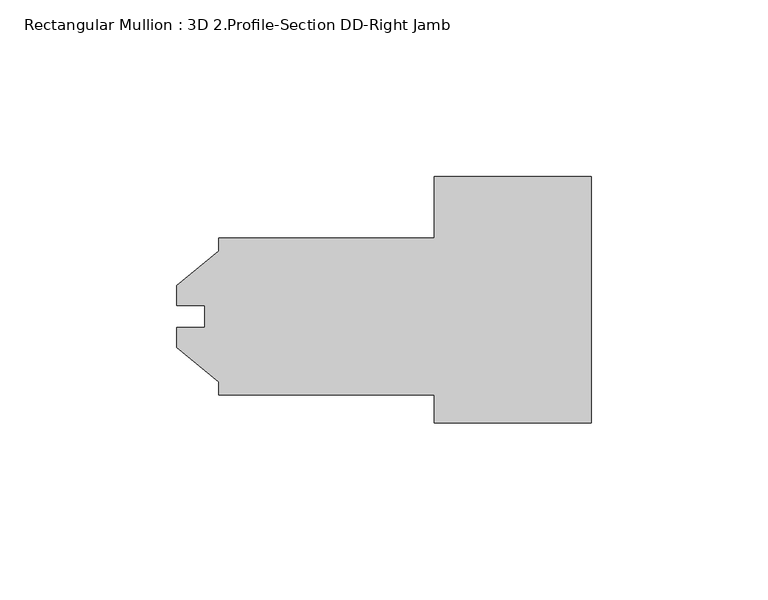
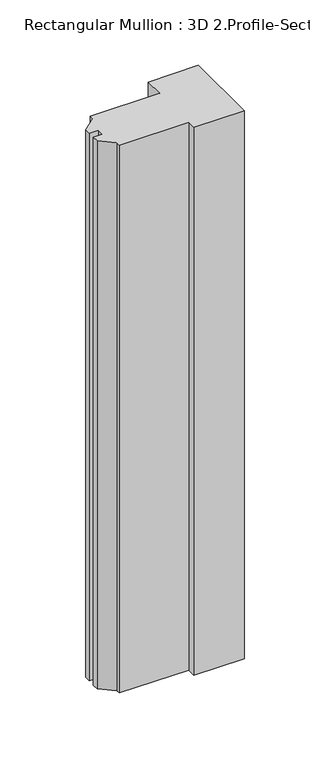
"""IFC4 building model written with IfcOpenShell, lengths in millimetres: member geometry, Rectangular Mullion : 3D 2.Profile-Section DD-Right Jamb."""

import ifcopenshell
import ifcopenshell.guid

model = None  # the IFC model being written
_history = None  # IfcOwnerHistory: only IFC2X3 demands one
_inside = {}  # id of a spatial element -> (the spatial element, [elements in it])
_under = {}  # id of a project, library or spatial element -> (it, [spatial elements below it])
_declared = {}  # id of a project -> (the project, [libraries it declares])
_typed = {}  # id of a type object -> (the type object, [elements of that type])
_made_of = {}  # id of a material, layer set ... -> (it, [elements and type objects made of it])


def new_model(schema):
    """Start an empty IFC model of exactly this schema.

    Asked for "IFC4X3", IfcOpenShell would pick the latest addendum, in which some entities
    have other attributes; the version numbers below select the first issue.
    IFC2X3 requires an IfcOwnerHistory on every rooted entity: one is made here for all.
    """
    global model, _history
    if schema == "IFC4X3":
        model = ifcopenshell.file(schema_version=(4, 3, 0, 0))
    else:
        model = ifcopenshell.file(schema=schema)
    _inside.clear()
    _under.clear()
    _declared.clear()
    _typed.clear()
    _made_of.clear()
    _history = None
    if model.schema == "IFC2X3":
        org = make("IfcOrganization", Name="unknown")
        user = make(
            "IfcPersonAndOrganization",
            ThePerson=make("IfcPerson", FamilyName="unknown"),
            TheOrganization=org,
        )
        app = make(
            "IfcApplication",
            ApplicationDeveloper=org,
            Version="unknown",
            ApplicationFullName="unknown",
            ApplicationIdentifier="unknown",
        )
        _history = make(
            "IfcOwnerHistory",
            OwningUser=user,
            OwningApplication=app,
            ChangeAction="ADDED",
            CreationDate=0,
        )
    return model


def make(cls, **values):
    """One entity of the class cls with the attributes given. An attribute that is None is left unset."""
    return model.create_entity(
        cls, **{name: value for name, value in values.items() if value is not None}
    )


def rooted(cls, **values):
    """An entity with a GlobalId (a new one), such as an element, a storey or a relation."""
    return make(cls, GlobalId=ifcopenshell.guid.new(), OwnerHistory=_history, **values)


def si_unit(unit_type, name, prefix=None):
    """IfcSIUnit, for example si_unit("LENGTHUNIT", "METRE", prefix="MILLI")."""
    return make("IfcSIUnit", UnitType=unit_type, Prefix=prefix, Name=name)


def assignment(units):
    """IfcUnitAssignment: the units of a project."""
    return None if units is None else make("IfcUnitAssignment", Units=units)


def point(xyz):
    """IfcCartesianPoint."""
    return None if xyz is None else make("IfcCartesianPoint", Coordinates=xyz)


def direction(xyz):
    """IfcDirection."""
    return None if xyz is None else make("IfcDirection", DirectionRatios=xyz)


def frame(location, z_axis=None, x_axis=None):
    """IfcAxis2Placement3D, a coordinate frame: its origin and axes. An axis left out is left unset."""
    return make(
        "IfcAxis2Placement3D",
        Location=point(location),
        Axis=direction(z_axis),
        RefDirection=direction(x_axis),
    )


def origin():
    """The frame at (0, 0, 0) with its axes left unset."""
    return frame((0.0, 0.0, 0.0))


def place(relative_to, where):
    """IfcLocalPlacement: puts the frame where relative to a parent placement (None: the world)."""
    return make(
        "IfcLocalPlacement", PlacementRelTo=relative_to, RelativePlacement=where
    )


def context(
    kind, dimensions, precision=None, world=None, true_north=None, identifier=None
):
    """IfcGeometricRepresentationContext, for example the 3D "Model" context."""
    return make(
        "IfcGeometricRepresentationContext",
        ContextIdentifier=identifier,
        ContextType=kind,
        CoordinateSpaceDimension=dimensions,
        Precision=precision,
        WorldCoordinateSystem=world,
        TrueNorth=true_north,
    )


def project(units=None, contexts=None):
    """IfcProject with its units and contexts."""
    return rooted(
        "IfcProject",
        Name="project",
        RepresentationContexts=contexts,
        UnitsInContext=assignment(units),
    )


def spatial(cls, under=None, at=None, **own):
    """A site, building, storey or space (cls), placed at a placement, below another one or the project."""
    s = rooted(cls, ObjectPlacement=at, **own)
    if under is not None:
        _under.setdefault(under.id(), (under, []))[1].append(s)
    return s


def polyline(points):
    """IfcPolyline through the points."""
    return make("IfcPolyline", Points=[point(p) for p in points])


def outline(outer, holes=None, kind="AREA"):
    """IfcArbitraryClosedProfileDef: a profile drawn as a closed curve; with holes, ...WithVoids."""
    if holes is None:
        return make("IfcArbitraryClosedProfileDef", ProfileType=kind, OuterCurve=outer)
    return make(
        "IfcArbitraryProfileDefWithVoids",
        ProfileType=kind,
        OuterCurve=outer,
        InnerCurves=holes,
    )


def extrude(swept, where, along, depth):
    """IfcExtrudedAreaSolid: the profile swept, set in the frame where, extruded along a direction by depth."""
    return make(
        "IfcExtrudedAreaSolid",
        SweptArea=swept,
        Position=where,
        ExtrudedDirection=direction(along),
        Depth=depth,
    )


def shape(context_of_items, identifier, shape_type, items):
    """IfcShapeRepresentation: the items that make up one representation, for example the "Body"."""
    return make(
        "IfcShapeRepresentation",
        ContextOfItems=context_of_items,
        RepresentationIdentifier=identifier,
        RepresentationType=shape_type,
        Items=items,
    )


def source(mapping_origin, context_of_items, identifier, shape_type, items):
    """IfcRepresentationMap: a shape defined once, which mapped items show again and again."""
    return make(
        "IfcRepresentationMap",
        MappingOrigin=mapping_origin,
        MappedRepresentation=shape(context_of_items, identifier, shape_type, items),
    )


def transform(
    local_origin,
    x_axis=None,
    y_axis=None,
    z_axis=None,
    scale=None,
    scale2=None,
    scale3=None,
    uniform=True,
):
    """IfcCartesianTransformationOperator3D, or its non-uniform kind. x_axis, y_axis, z_axis: its Axis1, 2, 3."""
    if uniform:
        return make(
            "IfcCartesianTransformationOperator3D",
            Axis1=direction(x_axis),
            Axis2=direction(y_axis),
            LocalOrigin=point(local_origin),
            Scale=scale,
            Axis3=direction(z_axis),
        )
    return make(
        "IfcCartesianTransformationOperator3DnonUniform",
        Axis1=direction(x_axis),
        Axis2=direction(y_axis),
        LocalOrigin=point(local_origin),
        Scale=scale,
        Axis3=direction(z_axis),
        Scale2=scale2,
        Scale3=scale3,
    )


def mapped(mapping_source, mapping_target):
    """IfcMappedItem: shows the shape of a source again, moved by a transform."""
    return make(
        "IfcMappedItem", MappingSource=mapping_source, MappingTarget=mapping_target
    )


def made_of(thing, what):
    """Note that an element or type object is made of a material, layer set ...; save() writes the relation."""
    if what is not None:
        _made_of.setdefault(what.id(), (what, []))[1].append(thing)
    return thing


def element(
    cls,
    number,
    at=None,
    inside=None,
    cuts=None,
    type_object=None,
    material=None,
    context=None,
    identifier="Body",
    shape_type=None,
    held_by="IfcProductDefinitionShape",
    body=None,
    shapes=None,
    **own,
):
    """One element of the class cls, such as IfcWall. Its Tag is "e" and its number.

    at: its placement. inside: the storey or other place that contains it. cuts: it is an
    opening in that element (IfcRelVoidsElement). A single representation is given by context,
    identifier, shape_type and body (its items); several are given by shapes. held_by: the class
    of the entity that holds the representations. save() writes the other relations.
    """
    e = rooted(cls, Tag="e%d" % number, ObjectPlacement=at, **own)
    if body is not None:
        shapes = [shape(context, identifier, shape_type, body)]
    if shapes is not None:
        e.Representation = make(held_by, Representations=shapes)
    if inside is not None:
        _inside.setdefault(inside.id(), (inside, []))[1].append(e)
    if cuts is not None:
        rooted(
            "IfcRelVoidsElement", RelatingBuildingElement=cuts, RelatedOpeningElement=e
        )
    if type_object is not None:
        _typed.setdefault(type_object.id(), (type_object, []))[1].append(e)
    return made_of(e, material)


def aggregate(whole, parts):
    """IfcRelAggregates: a whole, such as a stair, and the parts it consists of."""
    return rooted("IfcRelAggregates", RelatingObject=whole, RelatedObjects=parts)


def save(model, path):
    """Write the relations noted so far, then the file.

    IfcRelAggregates (storeys below a building ...), IfcRelContainedInSpatialStructure (elements
    in a storey), IfcRelDefinesByType, IfcRelAssociatesMaterial and IfcRelDeclares: one each for
    every whole, place, type object, material and project.
    """
    for whole, parts in _under.values():
        aggregate(whole, parts)
    for where, things in _inside.values():
        rooted(
            "IfcRelContainedInSpatialStructure",
            RelatedElements=things,
            RelatingStructure=where,
        )
    for kind, things in _typed.values():
        rooted("IfcRelDefinesByType", RelatedObjects=things, RelatingType=kind)
    for what, things in _made_of.values():
        rooted("IfcRelAssociatesMaterial", RelatedObjects=things, RelatingMaterial=what)
    for by, libraries in _declared.values():
        rooted("IfcRelDeclares", RelatingContext=by, RelatedDefinitions=libraries)
    model.write(path)


def rectangular_mullion_3d_2_profile_section_dd_right_jamb_b04587b8(model_context):
    return source(origin(), model_context, "Body", "SweptSolid", [
        extrude(outline(polyline([(0.0, 39.6875), (0.0, -30.1625), (-44.45, -30.1625), (-44.45, -22.225), (-105.5624, -22.225), (-105.5624, -18.518836), (-117.46865, -8.7503), (-117.46865, -3.175), (-109.5248, -3.175), (-109.5248, 3.175), (-117.46865, 3.175), (-117.46865, 8.7503), (-105.5624, 18.518836), (-105.5624, 22.225), (-44.45, 22.225), (-44.45, 39.6875), (0.0, 39.6875)])), frame((0.0, 0.0, -511.18135), z_axis=(0.0, 0.0, 1.0), x_axis=(1.0, 0.0, 0.0)), (0.0, 0.0, 1.0), 511.18135),
    ])


if __name__ == "__main__":
    model = new_model("IFC4")
    model_context = context("Model", 3, world=origin())
    ifc_project = project(units=[si_unit("LENGTHUNIT", "METRE", prefix="MILLI")], contexts=[model_context])
    site = spatial("IfcSite", under=ifc_project)
    building = spatial("IfcBuilding", under=site)
    placement = place(None, origin())
    rectangular_mullion_3d_2_profile_section_dd_right_jamb_shape = rectangular_mullion_3d_2_profile_section_dd_right_jamb_b04587b8(model_context)
    element("IfcMember", 1, ObjectType="Rectangular Mullion : 3D 2.Profile-Section DD-Right Jamb", at=placement, inside=building, context=model_context, shape_type="MappedRepresentation", body=[
        mapped(rectangular_mullion_3d_2_profile_section_dd_right_jamb_shape, transform((0.0, 0.0, 0.0), x_axis=(1.0, 0.0, 0.0), y_axis=(0.0, 1.0, 0.0), z_axis=(0.0, 0.0, 1.0))),
    ])
    save(model, "model.ifc")
